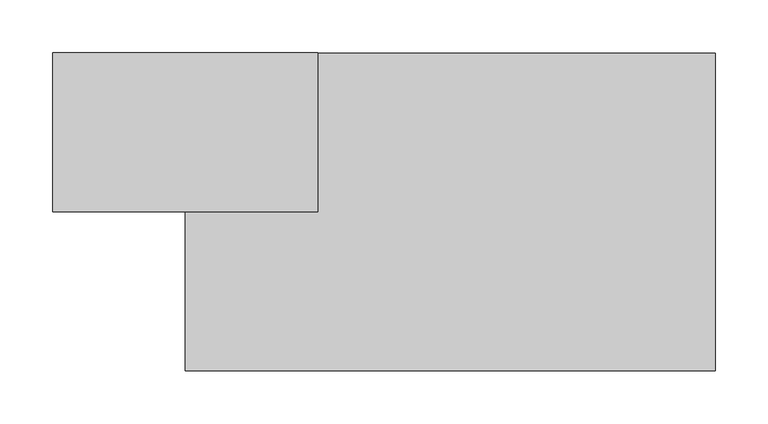
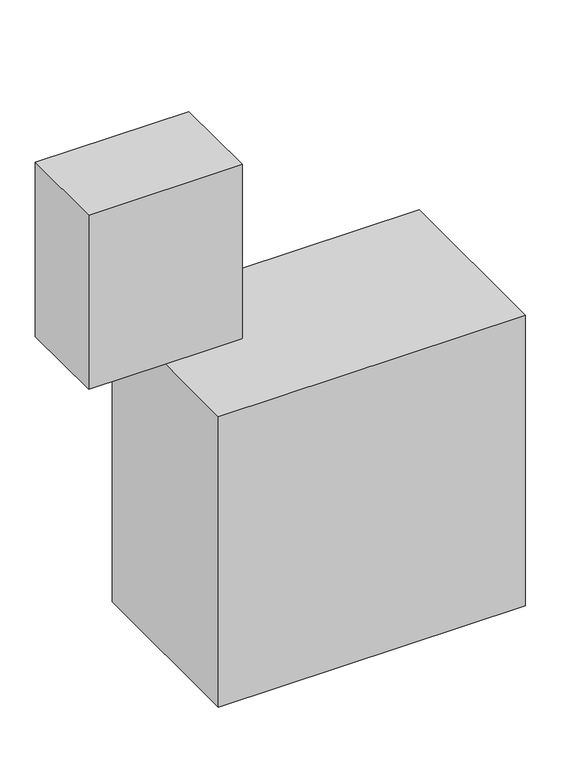
"""IFC4 building model written with IfcOpenShell, lengths in millimetres: proxy geometry."""

from ifc_helpers import new_model, si_unit, frame, origin, origin_with_axes, place, context, project, spatial, polyline, outline, extrude, source, transform, mapped, element, save


def specialty_equipment_ab3c0a8c(model_context):
    return source(origin(), model_context, "Body", "SweptSolid", [
        extrude(outline(polyline([(125.0, 0.0), (125.0, -150.0), (-125.0, -150.0), (-125.0, 0.0), (125.0, 0.0)])), frame((0.0, 0.0, 499.9568211), z_axis=(0.0, 0.0, 1.0), x_axis=(1.0, 0.0, 0.0)), (0.0, 0.0, 1.0), 300.0),
        extrude(outline(polyline([(500.0, 0.0), (500.0, -300.0), (0.0, -300.0), (0.0, 0.0), (500.0, 0.0)])), origin_with_axes(), (0.0, 0.0, 1.0), 500.0),
    ])


if __name__ == "__main__":
    model = new_model("IFC4")
    model_context = context("Model", 3, world=origin())
    ifc_project = project(units=[si_unit("LENGTHUNIT", "METRE", prefix="MILLI")], contexts=[model_context])
    site = spatial("IfcSite", under=ifc_project)
    building = spatial("IfcBuilding", under=site)
    placement = place(None, origin())
    specialty_equipment_shape = specialty_equipment_ab3c0a8c(model_context)
    element("IfcBuildingElementProxy", 1, Name="Specialty Equipment", at=placement, inside=building, context=model_context, shape_type="MappedRepresentation", body=[
        mapped(specialty_equipment_shape, transform((0.0, 0.0, 0.0), x_axis=(1.0, 0.0, 0.0), y_axis=(0.0, 1.0, 0.0), z_axis=(0.0, 0.0, 1.0))),
    ])
    save(model, "model.ifc")
